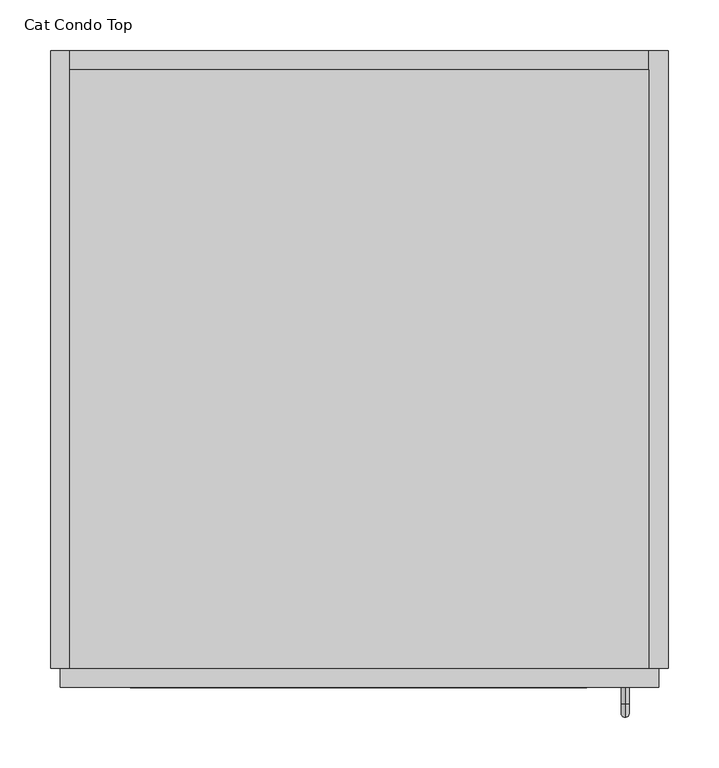
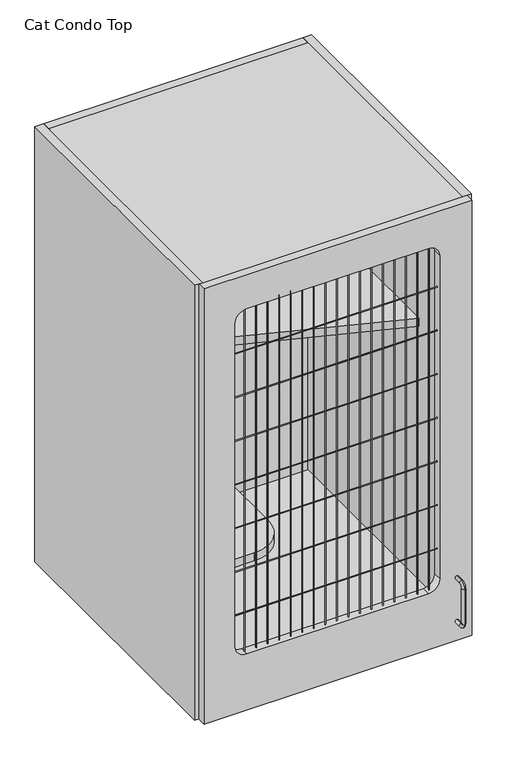
"""IFC4 building model written with IfcOpenShell, lengths in millimetres: proxy geometry, Cat Condo Top."""

from ifc_helpers import new_model, si_unit, point, frame, frame_2d, origin, place, context, project, spatial, polyline, circle_curve, ellipse_curve, trimmed, segment, composite_curve, outline, extrude, source, transform, mapped, element, save
from ifc_brep_helpers import plane_surface, cylinder_surface, revolved_surface, advanced_brep


def cat_condo_top_7ad50e62(model_context):
    return source(origin(), model_context, "Body", "SolidModel", [
        advanced_brep(
        [(567.1128423, -19.05, 243.7243154), (567.1128423, -19.05, 251.5756846), (567.1128423, -35.2117768, 243.7243154), (567.1128423, -35.2117768, 251.5756846), (567.1128423, -48.3756846, 238.4117768), (567.1128423, -40.5243154, 238.4117768), (567.1128423, -40.5243154, 155.2882232), (567.1128423, -48.3756846, 155.2882232), (567.1128423, -35.2117768, 142.1243154), (567.1128423, -35.2117768, 149.9756846), (567.1128423, -19.05, 149.9756846), (567.1128423, -19.05, 142.1243154)],
        [
            (0, 1, circle_curve(frame((567.1128423, -19.05, 247.65), z_axis=(0.0, 1.0, 0.0), x_axis=(0.0, 0.0, 1.0)), 3.9256846)),
            (1, 0, circle_curve(frame((567.1128423, -19.05, 247.65), z_axis=(0.0, 1.0, 0.0), x_axis=(0.0, 0.0, 1.0)), 3.9256846)),
            (0, 2),
            (2, 3, circle_curve(frame((567.1128423, -35.2117768, 247.65), z_axis=(0.0, 1.0, 0.0), x_axis=(0.0, 0.0, 1.0)), 3.9256846)),
            (3, 1),
            (3, 2, circle_curve(frame((567.1128423, -35.2117768, 247.65), z_axis=(0.0, 1.0, 0.0), x_axis=(0.0, 0.0, 1.0)), 3.9256846)),
            (4, 3, circle_curve(frame((567.1128423, -35.2117768, 238.4117768), z_axis=(-1.0, 0.0, 0.0), x_axis=(0.0, 0.0, 1.0)), 13.1639078)),
            (2, 5, circle_curve(frame((567.1128423, -35.2117768, 238.4117768), z_axis=(1.0, 0.0, 0.0), x_axis=(0.0, 0.0, 1.0)), 5.3125387)),
            (5, 4, circle_curve(frame((567.1128423, -44.45, 238.4117768), z_axis=(0.0, 0.0, 1.0), x_axis=(0.0, -1.0, 0.0)), 3.9256846)),
            (4, 5, circle_curve(frame((567.1128423, -44.45, 238.4117768), z_axis=(0.0, 0.0, 1.0), x_axis=(0.0, -1.0, 0.0)), 3.9256846)),
            (5, 6),
            (6, 7, circle_curve(frame((567.1128423, -44.45, 155.2882232), z_axis=(0.0, 0.0, 1.0), x_axis=(0.0, -1.0, 0.0)), 3.9256846)),
            (7, 4),
            (7, 6, circle_curve(frame((567.1128423, -44.45, 155.2882232), z_axis=(0.0, 0.0, 1.0), x_axis=(0.0, -1.0, 0.0)), 3.9256846)),
            (8, 7, circle_curve(frame((567.1128423, -35.2117768, 155.2882232), z_axis=(-1.0, 0.0, 0.0), x_axis=(0.0, -1.0, 0.0)), 13.1639078)),
            (6, 9, circle_curve(frame((567.1128423, -35.2117768, 155.2882232), z_axis=(1.0, 0.0, 0.0), x_axis=(0.0, -1.0, 0.0)), 5.3125387)),
            (9, 8, circle_curve(frame((567.1128423, -35.2117768, 146.05), z_axis=(0.0, -1.0, 0.0), x_axis=(0.0, 0.0, -1.0)), 3.9256846)),
            (8, 9, circle_curve(frame((567.1128423, -35.2117768, 146.05), z_axis=(0.0, -1.0, 0.0), x_axis=(0.0, 0.0, -1.0)), 3.9256846)),
            (10, 11, circle_curve(frame((567.1128423, -19.05, 146.05), z_axis=(0.0, 1.0, 0.0), x_axis=(0.0, 0.0, -1.0)), 3.9256846)),
            (11, 10, circle_curve(frame((567.1128423, -19.05, 146.05), z_axis=(0.0, 1.0, 0.0), x_axis=(0.0, 0.0, -1.0)), 3.9256846)),
            (9, 10),
            (11, 8),
        ],
        [
            plane_surface(frame((567.1128423, -19.05, 247.65), z_axis=(0.0, 1.0, 0.0), x_axis=(1.0, 0.0, 0.0))),
            cylinder_surface(frame((567.1128423, -19.05, 247.65), z_axis=(0.0, 1.0, 0.0), x_axis=(0.0, 0.0, 1.0)), 3.9256846),
            revolved_surface(trimmed(ellipse_curve(frame((567.1128423, -35.2117768, 247.65), z_axis=(0.0, 1.0, 0.0), x_axis=(0.0, 0.0, 1.0)), 3.9256846, 3.9256846), [point((567.1128423, -35.2117768, 243.7243154))], [point((567.1128423, -35.2117768, 251.5756846))], True, "CARTESIAN"), (567.1128423, -35.2117768, 238.4117768), (1.0, 0.0, 0.0)),
            revolved_surface(trimmed(ellipse_curve(frame((567.1128423, -35.2117768, 247.65), z_axis=(0.0, 1.0, 0.0), x_axis=(0.0, 0.0, 1.0)), 3.9256846, 3.9256846), [point((567.1128423, -35.2117768, 251.5756846))], [point((567.1128423, -35.2117768, 243.7243154))], True, "CARTESIAN"), (567.1128423, -35.2117768, 238.4117768), (1.0, 0.0, 0.0)),
            cylinder_surface(frame((567.1128423, -44.45, 238.4117768), z_axis=(0.0, 0.0, 1.0), x_axis=(0.0, -1.0, 0.0)), 3.9256846),
            revolved_surface(trimmed(ellipse_curve(frame((567.1128423, -44.45, 155.2882232), z_axis=(0.0, 0.0, 1.0), x_axis=(0.0, -1.0, 0.0)), 3.9256846, 3.9256846), [point((567.1128423, -40.5243154, 155.2882232))], [point((567.1128423, -48.3756846, 155.2882232))], True, "CARTESIAN"), (567.1128423, -35.2117768, 155.2882232), (1.0, 0.0, 0.0)),
            revolved_surface(trimmed(ellipse_curve(frame((567.1128423, -44.45, 155.2882232), z_axis=(0.0, 0.0, 1.0), x_axis=(0.0, -1.0, 0.0)), 3.9256846, 3.9256846), [point((567.1128423, -48.3756846, 155.2882232))], [point((567.1128423, -40.5243154, 155.2882232))], True, "CARTESIAN"), (567.1128423, -35.2117768, 155.2882232), (1.0, 0.0, 0.0)),
            plane_surface(frame((567.1128423, -19.05, 146.05), z_axis=(0.0, 1.0, 0.0), x_axis=(1.0, 0.0, 0.0))),
            cylinder_surface(frame((567.1128423, -35.2117768, 146.05), z_axis=(0.0, -1.0, 0.0), x_axis=(0.0, 0.0, -1.0)), 3.9256846),
        ],
        [
            (0, [[1, 2]]),
            (1, [[-1, 3, 4, 5]]),
            (1, [[-2, -5, 6, -3]]),
            (2, [[7, -4, 8, 9]]),
            (3, [[-8, -6, -7, 10]]),
            (4, [[-9, 11, 12, 13]]),
            (4, [[-10, -13, 14, -11]]),
            (5, [[15, -12, 16, 17]]),
            (6, [[-16, -14, -15, 18]]),
            (7, [[19, 20]]),
            (8, [[-17, 21, -20, 22]]),
            (8, [[-18, -22, -19, -21]]),
        ],
    ),
        extrude(outline(polyline([(590.55, 590.55), (590.55, 0.0), (19.05, 0.0), (19.05, 590.55), (590.55, 590.55)])), frame((0.0, 0.0, 1095.375), z_axis=(0.0, 0.0, 1.0), x_axis=(1.0, 0.0, 0.0)), (0.0, 0.0, 1.0), 19.05),
        extrude(outline(polyline([(590.55, 590.55), (590.55, 166.6410111), (19.05, 374.65), (19.05, 590.55), (590.55, 590.55)])), frame((0.0, 0.0, 711.2), z_axis=(0.0, 0.0, 1.0), x_axis=(1.0, 0.0, 0.0)), (0.0, 0.0, 1.0), 19.05),
        extrude(outline(composite_curve([segment(polyline([(222.25, 590.55), (222.25, 101.6)]), True, "CONTINUOUS"), segment(trimmed(circle_curve(frame_2d((146.05, 101.6)), 76.2), [point((222.25, 101.6))], [point((146.05, 25.4))], False, "CARTESIAN"), True, "CONTINUOUS"), segment(polyline([(146.05, 25.4), (19.05, 25.4), (19.05, 590.55), (222.25, 590.55)]), True, "CONTINUOUS")], self_intersect=False)), frame((0.0, 0.0, 406.4), z_axis=(0.0, 0.0, 1.0), x_axis=(1.0, 0.0, 0.0)), (0.0, 0.0, 1.0), 19.05),
        extrude(outline(polyline([(590.55, 0.0), (19.05, 0.0), (19.05, 590.55), (590.55, 590.55), (590.55, 0.0)])), frame((0.0, 0.0, 101.6), z_axis=(0.0, 0.0, 1.0), x_axis=(1.0, 0.0, 0.0)), (0.0, 0.0, 1.0), 19.05),
        extrude(outline(polyline([(590.55, 609.6), (609.6, 609.6), (609.6, 0.0), (590.55, 0.0), (590.55, 609.6)])), frame((0.0, 0.0, 101.6), z_axis=(0.0, 0.0, 1.0), x_axis=(1.0, 0.0, 0.0)), (0.0, 0.0, 1.0), 1012.825),
        extrude(outline(polyline([(590.55, 609.6), (590.55, 590.55), (19.05, 590.55), (19.05, 609.6), (590.55, 609.6)])), frame((0.0, 0.0, 101.6), z_axis=(0.0, 0.0, 1.0), x_axis=(1.0, 0.0, 0.0)), (0.0, 0.0, 1.0), 1012.825),
        extrude(outline(polyline([(19.05, 609.6), (19.05, 0.0), (0.0, 0.0), (0.0, 609.6), (19.05, 609.6)])), frame((0.0, 0.0, 101.6), z_axis=(0.0, 0.0, 1.0), x_axis=(1.0, 0.0, 0.0)), (0.0, 0.0, 1.0), 1012.825),
        extrude(outline(composite_curve([segment(trimmed(circle_curve(frame_2d((-9.6602248, 931.8625)), 0.79375), [point((-9.6602248, 932.65625))], [point((-9.6602248, 931.06875))], False, "CARTESIAN"), True, "CONTINUOUS"), segment(trimmed(circle_curve(frame_2d((-9.6602248, 931.8625)), 0.79375), [point((-9.6602248, 931.06875))], [point((-9.6602248, 932.65625))], False, "CARTESIAN"), True, "CONTINUOUS")], self_intersect=False)), frame((78.58125, 0.0, 0.0), z_axis=(1.0, 0.0, 0.0), x_axis=(0.0, 1.0, 0.0)), (0.0, 0.0, 1.0), 450.85),
        extrude(outline(composite_curve([segment(trimmed(circle_curve(frame_2d((-9.6602248, 830.2625)), 0.79375), [point((-9.6602248, 831.05625))], [point((-9.6602248, 829.46875))], False, "CARTESIAN"), True, "CONTINUOUS"), segment(trimmed(circle_curve(frame_2d((-9.6602248, 830.2625)), 0.79375), [point((-9.6602248, 829.46875))], [point((-9.6602248, 831.05625))], False, "CARTESIAN"), True, "CONTINUOUS")], self_intersect=False)), frame((78.58125, 0.0, 0.0), z_axis=(1.0, 0.0, 0.0), x_axis=(0.0, 1.0, 0.0)), (0.0, 0.0, 1.0), 450.85),
        extrude(outline(composite_curve([segment(trimmed(circle_curve(frame_2d((-9.6602248, 728.6625)), 0.79375), [point((-9.6602248, 729.45625))], [point((-9.6602248, 727.86875))], False, "CARTESIAN"), True, "CONTINUOUS"), segment(trimmed(circle_curve(frame_2d((-9.6602248, 728.6625)), 0.79375), [point((-9.6602248, 727.86875))], [point((-9.6602248, 729.45625))], False, "CARTESIAN"), True, "CONTINUOUS")], self_intersect=False)), frame((78.58125, 0.0, 0.0), z_axis=(1.0, 0.0, 0.0), x_axis=(0.0, 1.0, 0.0)), (0.0, 0.0, 1.0), 450.85),
        extrude(outline(composite_curve([segment(trimmed(circle_curve(frame_2d((-9.6602248, 627.0625)), 0.79375), [point((-9.6602248, 627.85625))], [point((-9.6602248, 626.26875))], False, "CARTESIAN"), True, "CONTINUOUS"), segment(trimmed(circle_curve(frame_2d((-9.6602248, 627.0625)), 0.79375), [point((-9.6602248, 626.26875))], [point((-9.6602248, 627.85625))], False, "CARTESIAN"), True, "CONTINUOUS")], self_intersect=False)), frame((78.58125, 0.0, 0.0), z_axis=(1.0, 0.0, 0.0), x_axis=(0.0, 1.0, 0.0)), (0.0, 0.0, 1.0), 450.85),
        extrude(outline(composite_curve([segment(trimmed(circle_curve(frame_2d((-9.6602248, 525.4625)), 0.79375), [point((-9.6602248, 526.25625))], [point((-9.6602248, 524.66875))], False, "CARTESIAN"), True, "CONTINUOUS"), segment(trimmed(circle_curve(frame_2d((-9.6602248, 525.4625)), 0.79375), [point((-9.6602248, 524.66875))], [point((-9.6602248, 526.25625))], False, "CARTESIAN"), True, "CONTINUOUS")], self_intersect=False)), frame((78.58125, 0.0, 0.0), z_axis=(1.0, 0.0, 0.0), x_axis=(0.0, 1.0, 0.0)), (0.0, 0.0, 1.0), 450.85),
        extrude(outline(composite_curve([segment(trimmed(circle_curve(frame_2d((-9.6602248, 423.8625)), 0.79375), [point((-9.6602248, 424.65625))], [point((-9.6602248, 423.06875))], False, "CARTESIAN"), True, "CONTINUOUS"), segment(trimmed(circle_curve(frame_2d((-9.6602248, 423.8625)), 0.79375), [point((-9.6602248, 423.06875))], [point((-9.6602248, 424.65625))], False, "CARTESIAN"), True, "CONTINUOUS")], self_intersect=False)), frame((78.58125, 0.0, 0.0), z_axis=(1.0, 0.0, 0.0), x_axis=(0.0, 1.0, 0.0)), (0.0, 0.0, 1.0), 450.85),
        extrude(outline(composite_curve([segment(trimmed(circle_curve(frame_2d((-9.6602248, 322.2625)), 0.79375), [point((-9.6602248, 323.05625))], [point((-9.6602248, 321.46875))], False, "CARTESIAN"), True, "CONTINUOUS"), segment(trimmed(circle_curve(frame_2d((-9.6602248, 322.2625)), 0.79375), [point((-9.6602248, 321.46875))], [point((-9.6602248, 323.05625))], False, "CARTESIAN"), True, "CONTINUOUS")], self_intersect=False)), frame((78.58125, 0.0, 0.0), z_axis=(1.0, 0.0, 0.0), x_axis=(0.0, 1.0, 0.0)), (0.0, 0.0, 1.0), 450.85),
        extrude(outline(composite_curve([segment(trimmed(circle_curve(frame_2d((511.0919665, -9.6602248)), 0.79375), [point((510.2982165, -9.6602248))], [point((511.8857165, -9.6602248))], False, "CARTESIAN"), True, "CONTINUOUS"), segment(trimmed(circle_curve(frame_2d((511.0919665, -9.6602248)), 0.79375), [point((511.8857165, -9.6602248))], [point((510.2982165, -9.6602248))], False, "CARTESIAN"), True, "CONTINUOUS")], self_intersect=False)), frame((0.0, 0.0, 231.775), z_axis=(0.0, 0.0, 1.0), x_axis=(1.0, 0.0, 0.0)), (0.0, 0.0, 1.0), 803.275),
        extrude(outline(composite_curve([segment(trimmed(circle_curve(frame_2d((485.6919665, -9.6602248)), 0.79375), [point((484.8982165, -9.6602248))], [point((486.4857165, -9.6602248))], False, "CARTESIAN"), True, "CONTINUOUS"), segment(trimmed(circle_curve(frame_2d((485.6919665, -9.6602248)), 0.79375), [point((486.4857165, -9.6602248))], [point((484.8982165, -9.6602248))], False, "CARTESIAN"), True, "CONTINUOUS")], self_intersect=False)), frame((0.0, 0.0, 231.775), z_axis=(0.0, 0.0, 1.0), x_axis=(1.0, 0.0, 0.0)), (0.0, 0.0, 1.0), 803.275),
        extrude(outline(composite_curve([segment(trimmed(circle_curve(frame_2d((460.2919665, -9.6602248)), 0.79375), [point((459.4982165, -9.6602248))], [point((461.0857165, -9.6602248))], False, "CARTESIAN"), True, "CONTINUOUS"), segment(trimmed(circle_curve(frame_2d((460.2919665, -9.6602248)), 0.79375), [point((461.0857165, -9.6602248))], [point((459.4982165, -9.6602248))], False, "CARTESIAN"), True, "CONTINUOUS")], self_intersect=False)), frame((0.0, 0.0, 231.775), z_axis=(0.0, 0.0, 1.0), x_axis=(1.0, 0.0, 0.0)), (0.0, 0.0, 1.0), 803.275),
        extrude(outline(composite_curve([segment(trimmed(circle_curve(frame_2d((434.8919665, -9.6602248)), 0.79375), [point((434.0982165, -9.6602248))], [point((435.6857165, -9.6602248))], False, "CARTESIAN"), True, "CONTINUOUS"), segment(trimmed(circle_curve(frame_2d((434.8919665, -9.6602248)), 0.79375), [point((435.6857165, -9.6602248))], [point((434.0982165, -9.6602248))], False, "CARTESIAN"), True, "CONTINUOUS")], self_intersect=False)), frame((0.0, 0.0, 231.775), z_axis=(0.0, 0.0, 1.0), x_axis=(1.0, 0.0, 0.0)), (0.0, 0.0, 1.0), 803.275),
        extrude(outline(composite_curve([segment(trimmed(circle_curve(frame_2d((409.4919665, -9.6602248)), 0.79375), [point((408.6982165, -9.6602248))], [point((410.2857165, -9.6602248))], False, "CARTESIAN"), True, "CONTINUOUS"), segment(trimmed(circle_curve(frame_2d((409.4919665, -9.6602248)), 0.79375), [point((410.2857165, -9.6602248))], [point((408.6982165, -9.6602248))], False, "CARTESIAN"), True, "CONTINUOUS")], self_intersect=False)), frame((0.0, 0.0, 231.775), z_axis=(0.0, 0.0, 1.0), x_axis=(1.0, 0.0, 0.0)), (0.0, 0.0, 1.0), 803.275),
        extrude(outline(composite_curve([segment(trimmed(circle_curve(frame_2d((384.0919665, -9.6602248)), 0.79375), [point((383.2982165, -9.6602248))], [point((384.8857165, -9.6602248))], False, "CARTESIAN"), True, "CONTINUOUS"), segment(trimmed(circle_curve(frame_2d((384.0919665, -9.6602248)), 0.79375), [point((384.8857165, -9.6602248))], [point((383.2982165, -9.6602248))], False, "CARTESIAN"), True, "CONTINUOUS")], self_intersect=False)), frame((0.0, 0.0, 231.775), z_axis=(0.0, 0.0, 1.0), x_axis=(1.0, 0.0, 0.0)), (0.0, 0.0, 1.0), 803.275),
        extrude(outline(composite_curve([segment(trimmed(circle_curve(frame_2d((358.6919665, -9.6602248)), 0.79375), [point((357.8982165, -9.6602248))], [point((359.4857165, -9.6602248))], False, "CARTESIAN"), True, "CONTINUOUS"), segment(trimmed(circle_curve(frame_2d((358.6919665, -9.6602248)), 0.79375), [point((359.4857165, -9.6602248))], [point((357.8982165, -9.6602248))], False, "CARTESIAN"), True, "CONTINUOUS")], self_intersect=False)), frame((0.0, 0.0, 231.775), z_axis=(0.0, 0.0, 1.0), x_axis=(1.0, 0.0, 0.0)), (0.0, 0.0, 1.0), 803.275),
        extrude(outline(composite_curve([segment(trimmed(circle_curve(frame_2d((333.2919665, -9.6602248)), 0.79375), [point((332.4982165, -9.6602248))], [point((334.0857165, -9.6602248))], False, "CARTESIAN"), True, "CONTINUOUS"), segment(trimmed(circle_curve(frame_2d((333.2919665, -9.6602248)), 0.79375), [point((334.0857165, -9.6602248))], [point((332.4982165, -9.6602248))], False, "CARTESIAN"), True, "CONTINUOUS")], self_intersect=False)), frame((0.0, 0.0, 231.775), z_axis=(0.0, 0.0, 1.0), x_axis=(1.0, 0.0, 0.0)), (0.0, 0.0, 1.0), 803.275),
        extrude(outline(composite_curve([segment(trimmed(circle_curve(frame_2d((307.8919665, -9.6602248)), 0.79375), [point((307.0982165, -9.6602248))], [point((308.6857165, -9.6602248))], False, "CARTESIAN"), True, "CONTINUOUS"), segment(trimmed(circle_curve(frame_2d((307.8919665, -9.6602248)), 0.79375), [point((308.6857165, -9.6602248))], [point((307.0982165, -9.6602248))], False, "CARTESIAN"), True, "CONTINUOUS")], self_intersect=False)), frame((0.0, 0.0, 231.775), z_axis=(0.0, 0.0, 1.0), x_axis=(1.0, 0.0, 0.0)), (0.0, 0.0, 1.0), 803.275),
        extrude(outline(composite_curve([segment(trimmed(circle_curve(frame_2d((282.4919665, -9.6602248)), 0.79375), [point((281.6982165, -9.6602248))], [point((283.2857165, -9.6602248))], False, "CARTESIAN"), True, "CONTINUOUS"), segment(trimmed(circle_curve(frame_2d((282.4919665, -9.6602248)), 0.79375), [point((283.2857165, -9.6602248))], [point((281.6982165, -9.6602248))], False, "CARTESIAN"), True, "CONTINUOUS")], self_intersect=False)), frame((0.0, 0.0, 231.775), z_axis=(0.0, 0.0, 1.0), x_axis=(1.0, 0.0, 0.0)), (0.0, 0.0, 1.0), 803.275),
        extrude(outline(composite_curve([segment(trimmed(circle_curve(frame_2d((257.0919665, -9.6602248)), 0.79375), [point((256.2982165, -9.6602248))], [point((257.8857165, -9.6602248))], False, "CARTESIAN"), True, "CONTINUOUS"), segment(trimmed(circle_curve(frame_2d((257.0919665, -9.6602248)), 0.79375), [point((257.8857165, -9.6602248))], [point((256.2982165, -9.6602248))], False, "CARTESIAN"), True, "CONTINUOUS")], self_intersect=False)), frame((0.0, 0.0, 231.775), z_axis=(0.0, 0.0, 1.0), x_axis=(1.0, 0.0, 0.0)), (0.0, 0.0, 1.0), 803.275),
        extrude(outline(composite_curve([segment(trimmed(circle_curve(frame_2d((231.6919665, -9.6602248)), 0.79375), [point((230.8982165, -9.6602248))], [point((232.4857165, -9.6602248))], False, "CARTESIAN"), True, "CONTINUOUS"), segment(trimmed(circle_curve(frame_2d((231.6919665, -9.6602248)), 0.79375), [point((232.4857165, -9.6602248))], [point((230.8982165, -9.6602248))], False, "CARTESIAN"), True, "CONTINUOUS")], self_intersect=False)), frame((0.0, 0.0, 231.775), z_axis=(0.0, 0.0, 1.0), x_axis=(1.0, 0.0, 0.0)), (0.0, 0.0, 1.0), 803.275),
        extrude(outline(composite_curve([segment(trimmed(circle_curve(frame_2d((206.2919665, -9.6602248)), 0.79375), [point((205.4982165, -9.6602248))], [point((207.0857165, -9.6602248))], False, "CARTESIAN"), True, "CONTINUOUS"), segment(trimmed(circle_curve(frame_2d((206.2919665, -9.6602248)), 0.79375), [point((207.0857165, -9.6602248))], [point((205.4982165, -9.6602248))], False, "CARTESIAN"), True, "CONTINUOUS")], self_intersect=False)), frame((0.0, 0.0, 231.775), z_axis=(0.0, 0.0, 1.0), x_axis=(1.0, 0.0, 0.0)), (0.0, 0.0, 1.0), 803.275),
        extrude(outline(composite_curve([segment(trimmed(circle_curve(frame_2d((180.8919665, -9.6602248)), 0.79375), [point((180.0982165, -9.6602248))], [point((181.6857165, -9.6602248))], False, "CARTESIAN"), True, "CONTINUOUS"), segment(trimmed(circle_curve(frame_2d((180.8919665, -9.6602248)), 0.79375), [point((181.6857165, -9.6602248))], [point((180.0982165, -9.6602248))], False, "CARTESIAN"), True, "CONTINUOUS")], self_intersect=False)), frame((0.0, 0.0, 231.775), z_axis=(0.0, 0.0, 1.0), x_axis=(1.0, 0.0, 0.0)), (0.0, 0.0, 1.0), 803.275),
        extrude(outline(composite_curve([segment(trimmed(circle_curve(frame_2d((155.4919665, -9.6602248)), 0.79375), [point((154.6982165, -9.6602248))], [point((156.2857165, -9.6602248))], False, "CARTESIAN"), True, "CONTINUOUS"), segment(trimmed(circle_curve(frame_2d((155.4919665, -9.6602248)), 0.79375), [point((156.2857165, -9.6602248))], [point((154.6982165, -9.6602248))], False, "CARTESIAN"), True, "CONTINUOUS")], self_intersect=False)), frame((0.0, 0.0, 231.775), z_axis=(0.0, 0.0, 1.0), x_axis=(1.0, 0.0, 0.0)), (0.0, 0.0, 1.0), 803.275),
        extrude(outline(composite_curve([segment(trimmed(circle_curve(frame_2d((130.0919665, -9.6602248)), 0.79375), [point((129.2982165, -9.6602248))], [point((130.8857165, -9.6602248))], False, "CARTESIAN"), True, "CONTINUOUS"), segment(trimmed(circle_curve(frame_2d((130.0919665, -9.6602248)), 0.79375), [point((130.8857165, -9.6602248))], [point((129.2982165, -9.6602248))], False, "CARTESIAN"), True, "CONTINUOUS")], self_intersect=False)), frame((0.0, 0.0, 231.775), z_axis=(0.0, 0.0, 1.0), x_axis=(1.0, 0.0, 0.0)), (0.0, 0.0, 1.0), 803.275),
        extrude(outline(composite_curve([segment(trimmed(circle_curve(frame_2d((104.6919665, -9.6602248)), 0.79375), [point((103.8982165, -9.6602248))], [point((105.4857165, -9.6602248))], False, "CARTESIAN"), True, "CONTINUOUS"), segment(trimmed(circle_curve(frame_2d((104.6919665, -9.6602248)), 0.79375), [point((105.4857165, -9.6602248))], [point((103.8982165, -9.6602248))], False, "CARTESIAN"), True, "CONTINUOUS")], self_intersect=False)), frame((0.0, 0.0, 231.775), z_axis=(0.0, 0.0, 1.0), x_axis=(1.0, 0.0, 0.0)), (0.0, 0.0, 1.0), 803.275),
        extrude(outline(polyline([(1114.425, 600.075), (1114.425, 9.525), (101.6, 9.525), (101.6, 600.075), (1114.425, 600.075)]), holes=[composite_curve([segment(polyline([(1035.05, 103.98125), (1035.05, 504.03125)]), True, "CONTINUOUS"), segment(trimmed(circle_curve(frame_2d((1009.65, 504.03125)), 25.4), [point((1035.05, 504.03125))], [point((1009.65, 529.43125))], True, "CARTESIAN"), True, "CONTINUOUS"), segment(polyline([(1009.65, 529.43125), (257.175, 529.43125)]), True, "CONTINUOUS"), segment(trimmed(circle_curve(frame_2d((257.175, 504.03125)), 25.4), [point((257.175, 529.43125))], [point((231.775, 504.03125))], True, "CARTESIAN"), True, "CONTINUOUS"), segment(polyline([(231.775, 504.03125), (231.775, 103.98125)]), True, "CONTINUOUS"), segment(trimmed(circle_curve(frame_2d((257.175, 103.98125)), 25.4), [point((231.775, 103.98125))], [point((257.175, 78.58125))], True, "CARTESIAN"), True, "CONTINUOUS"), segment(polyline([(257.175, 78.58125), (1009.65, 78.58125)]), True, "CONTINUOUS"), segment(trimmed(circle_curve(frame_2d((1009.65, 103.98125)), 25.4), [point((1009.65, 78.58125))], [point((1035.05, 103.98125))], True, "CARTESIAN"), True, "CONTINUOUS")], self_intersect=False)]), frame((0.0, -19.05, 0.0), z_axis=(0.0, 1.0, 0.0), x_axis=(0.0, 0.0, 1.0)), (0.0, 0.0, 1.0), 19.05),
    ])


if __name__ == "__main__":
    model = new_model("IFC4")
    model_context = context("Model", 3, world=origin())
    ifc_project = project(units=[si_unit("LENGTHUNIT", "METRE", prefix="MILLI")], contexts=[model_context])
    site = spatial("IfcSite", under=ifc_project)
    building = spatial("IfcBuilding", under=site)
    placement = place(None, origin())
    cat_condo_top_shape = cat_condo_top_7ad50e62(model_context)
    element("IfcBuildingElementProxy", 1, Name="Cat Condo Top", ObjectType="Cat Condo Top", at=placement, inside=building, context=model_context, shape_type="MappedRepresentation", body=[
        mapped(cat_condo_top_shape, transform((0.0, 0.0, 0.0), x_axis=(1.0, 0.0, 0.0), y_axis=(0.0, 1.0, 0.0), z_axis=(0.0, 0.0, 1.0))),
    ])
    save(model, "model.ifc")
